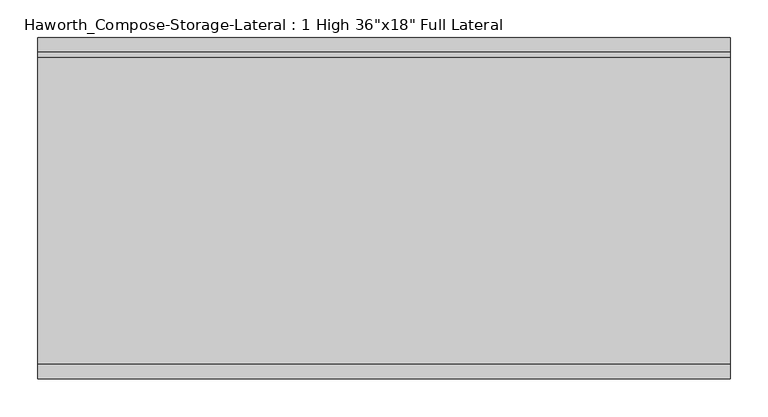
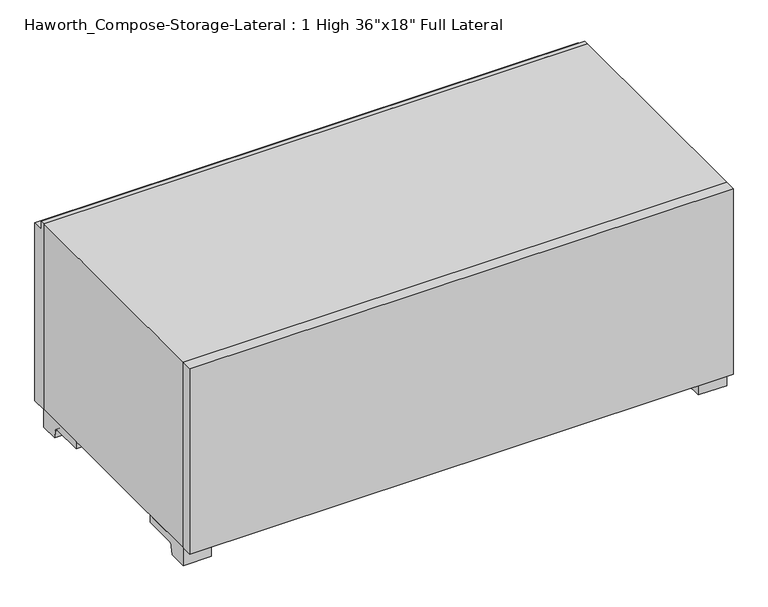
"""IFC4 building model written with IfcOpenShell, lengths in millimetres: furniture geometry."""

from ifc_helpers import new_model, si_unit, point, frame, frame_2d, origin, place, context, project, spatial, polyline, circle_curve, trimmed, segment, composite_curve, outline, extrude, source, transform, mapped, element, save


def furniture_98e5525b(model_context):
    return source(origin(), model_context, "Body", "SweptSolid", [
        extrude(outline(polyline([(152.4, 31.75), (152.4, 361.95), (158.75, 361.95), (158.75, 347.6625), (177.8, 347.6625), (177.8, 31.75), (152.4, 31.75)])), frame((-457.1861094, 0.0, 0.0), z_axis=(1.0, 0.0, 0.0), x_axis=(0.0, 1.0, 0.0)), (0.0, 0.0, 1.0), 914.4),
        extrude(outline(composite_curve([segment(polyline([(120.65, 0.0), (118.5333333, 12.7)]), True, "CONTINUOUS"), segment(trimmed(circle_curve(frame_2d((112.1833333, 12.7)), 6.35), [point((118.5333333, 12.7))], [point((112.1833333, 19.05))], True, "CARTESIAN"), True, "CONTINUOUS"), segment(polyline([(112.1833333, 19.05), (57.15, 19.05), (57.15, 31.75), (152.4, 31.75), (152.4, 0.0), (120.65, 0.0)]), True, "CONTINUOUS")], self_intersect=False)), frame((409.5888906, 0.0, 0.0), z_axis=(1.0, 0.0, 0.0), x_axis=(0.0, 1.0, 0.0)), (0.0, 0.0, 1.0), 47.625),
        extrude(outline(composite_curve([segment(polyline([(-222.25, 0.0), (-254.0, 0.0), (-254.0, 31.75), (-158.75, 31.75), (-158.75, 19.05), (-213.7833333, 19.05)]), True, "CONTINUOUS"), segment(trimmed(circle_curve(frame_2d((-213.7833333, 12.7)), 6.35), [point((-213.7833333, 19.05))], [point((-220.1333333, 12.7))], True, "CARTESIAN"), True, "CONTINUOUS"), segment(polyline([(-220.1333333, 12.7), (-222.25, 0.0)]), True, "CONTINUOUS")], self_intersect=False)), frame((409.5888906, 0.0, 0.0), z_axis=(1.0, 0.0, 0.0), x_axis=(0.0, 1.0, 0.0)), (0.0, 0.0, 1.0), 47.625),
        extrude(outline(composite_curve([segment(polyline([(120.65, 0.0), (118.5333333, 12.7)]), True, "CONTINUOUS"), segment(trimmed(circle_curve(frame_2d((112.1833333, 12.7)), 6.35), [point((118.5333333, 12.7))], [point((112.1833333, 19.05))], True, "CARTESIAN"), True, "CONTINUOUS"), segment(polyline([(112.1833333, 19.05), (57.15, 19.05), (57.15, 31.75), (152.4, 31.75), (152.4, 0.0), (120.65, 0.0)]), True, "CONTINUOUS")], self_intersect=False)), frame((-457.1861094, 0.0, 0.0), z_axis=(1.0, 0.0, 0.0), x_axis=(0.0, 1.0, 0.0)), (0.0, 0.0, 1.0), 47.625),
        extrude(outline(composite_curve([segment(polyline([(-222.25, 0.0), (-254.0, 0.0), (-254.0, 31.75), (-158.75, 31.75), (-158.75, 19.05), (-213.7833333, 19.05)]), True, "CONTINUOUS"), segment(trimmed(circle_curve(frame_2d((-213.7833333, 12.7)), 6.35), [point((-213.7833333, 19.05))], [point((-220.1333333, 12.7))], True, "CARTESIAN"), True, "CONTINUOUS"), segment(polyline([(-220.1333333, 12.7), (-222.25, 0.0)]), True, "CONTINUOUS")], self_intersect=False)), frame((-457.1861094, 0.0, 0.0), z_axis=(1.0, 0.0, 0.0), x_axis=(0.0, 1.0, 0.0)), (0.0, 0.0, 1.0), 47.625),
        extrude(outline(polyline([(457.2138906, -254.0), (457.2138906, -273.05), (-457.1861094, -273.05), (-457.1861094, -254.0), (457.2138906, -254.0)])), frame((0.0, 0.0, 31.75), z_axis=(0.0, 0.0, 1.0), x_axis=(1.0, 0.0, 0.0)), (0.0, 0.0, 1.0), 330.2),
        extrude(outline(polyline([(31.75, -457.1861094), (31.75, 457.2), (361.95, 457.2), (361.95, -457.1861094), (31.75, -457.1861094)]), holes=[polyline([(50.8, -438.1361094), (342.9, -438.1361094), (342.9, 438.1361094), (50.8, 438.1361094), (50.8, -438.1361094)])]), frame((0.0, -254.0, 0.0), z_axis=(0.0, 1.0, 0.0), x_axis=(0.0, 0.0, 1.0)), (0.0, 0.0, 1.0), 406.4),
        extrude(outline(polyline([(-438.1291641, -219.075), (438.1569453, -219.075), (438.1569453, -228.6), (-438.1291641, -228.6), (-438.1291641, -219.075)])), frame((0.0, 0.0, 50.8), z_axis=(0.0, 0.0, 1.0), x_axis=(1.0, 0.0, 0.0)), (0.0, 0.0, 1.0), 292.1),
    ])


if __name__ == "__main__":
    model = new_model("IFC4")
    model_context = context("Model", 3, world=origin())
    ifc_project = project(units=[si_unit("LENGTHUNIT", "METRE", prefix="MILLI")], contexts=[model_context])
    site = spatial("IfcSite", under=ifc_project)
    building = spatial("IfcBuilding", under=site)
    placement = place(None, origin())
    furniture_shape = furniture_98e5525b(model_context)
    element("IfcFurniture", 1, ObjectType="Haworth_Compose-Storage-Lateral : 1 High 36\"x18\" Full Lateral", at=placement, inside=building, context=model_context, shape_type="MappedRepresentation", body=[
        mapped(furniture_shape, transform((0.0, 0.0, 0.0), x_axis=(1.0, 0.0, 0.0), y_axis=(0.0, 1.0, 0.0), z_axis=(0.0, 0.0, 1.0))),
    ])
    save(model, "model.ifc")
